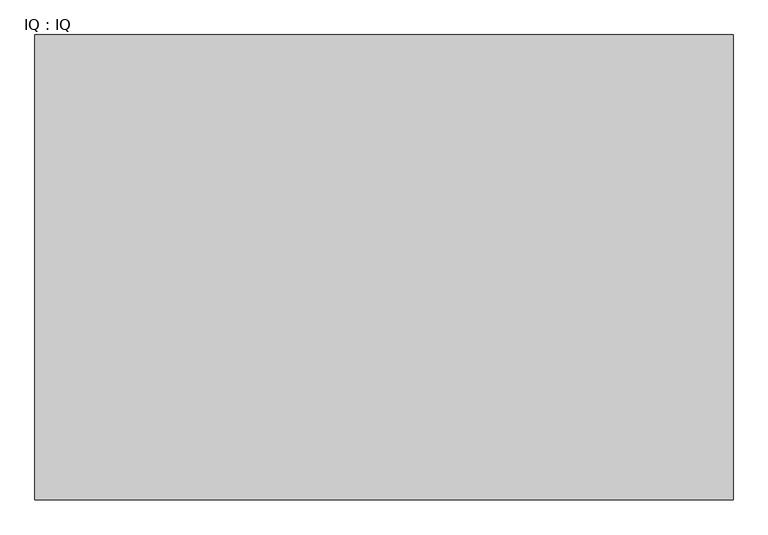
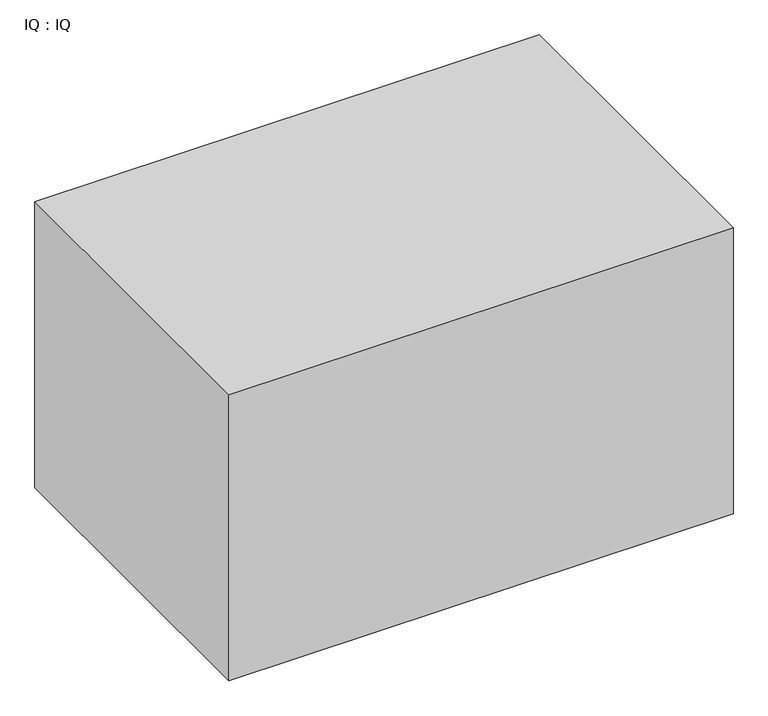
"""IFC4 building model written with IfcOpenShell, lengths in millimetres: proxy geometry, IQ : IQ."""

from ifc_helpers import new_model, si_unit, origin, origin_with_axes, place, context, project, spatial, polyline, outline, extrude, source, transform, mapped, element, save


def iq_iq_059e272a(model_context):
    return source(origin(), model_context, "Body", "SweptSolid", [
        extrude(outline(polyline([(1500.0, 1000.0), (1500.0, 0.0), (0.0, 0.0), (0.0, 1000.0), (1500.0, 1000.0)])), origin_with_axes(), (0.0, 0.0, 1.0), 900.0),
    ])


if __name__ == "__main__":
    model = new_model("IFC4")
    model_context = context("Model", 3, world=origin())
    ifc_project = project(units=[si_unit("LENGTHUNIT", "METRE", prefix="MILLI")], contexts=[model_context])
    site = spatial("IfcSite", under=ifc_project)
    building = spatial("IfcBuilding", under=site)
    placement = place(None, origin())
    iq_iq_shape = iq_iq_059e272a(model_context)
    element("IfcBuildingElementProxy", 1, Name="IQ : IQ", ObjectType="IQ : IQ", at=placement, inside=building, context=model_context, shape_type="MappedRepresentation", body=[
        mapped(iq_iq_shape, transform((0.0, 0.0, 0.0), x_axis=(1.0, 0.0, 0.0), y_axis=(0.0, 1.0, 0.0), z_axis=(0.0, 0.0, 1.0))),
    ])
    save(model, "model.ifc")
